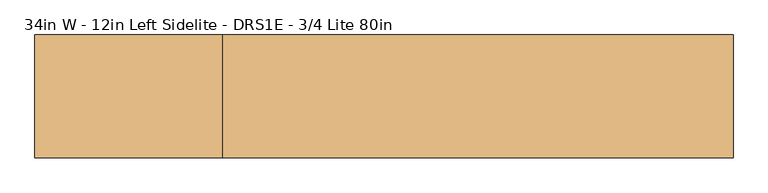
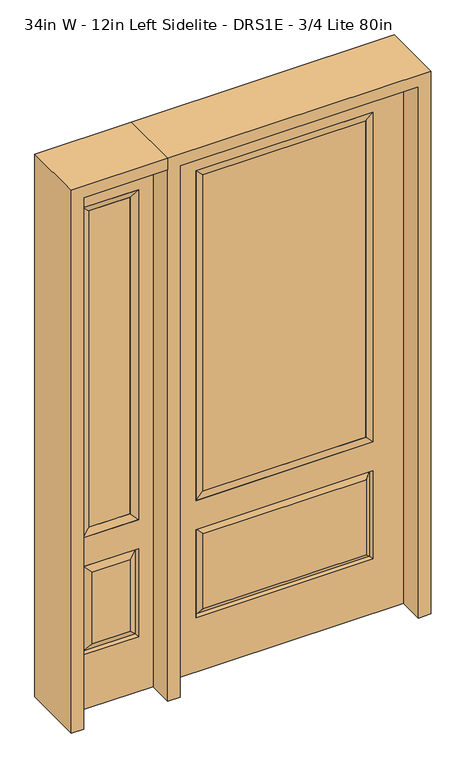
"""IFC4 building model written with IfcOpenShell, lengths in millimetres: door geometry, 34in W - 12in Left Sidelite - DRS1E - 3/4 Lite 80in."""

import ifcopenshell
import ifcopenshell.guid

model = None  # the IFC model being written
_history = None  # IfcOwnerHistory: only IFC2X3 demands one
_inside = {}  # id of a spatial element -> (the spatial element, [elements in it])
_under = {}  # id of a project, library or spatial element -> (it, [spatial elements below it])
_declared = {}  # id of a project -> (the project, [libraries it declares])
_typed = {}  # id of a type object -> (the type object, [elements of that type])
_made_of = {}  # id of a material, layer set ... -> (it, [elements and type objects made of it])


def new_model(schema):
    """Start an empty IFC model of exactly this schema.

    Asked for "IFC4X3", IfcOpenShell would pick the latest addendum, in which some entities
    have other attributes; the version numbers below select the first issue.
    IFC2X3 requires an IfcOwnerHistory on every rooted entity: one is made here for all.
    """
    global model, _history
    if schema == "IFC4X3":
        model = ifcopenshell.file(schema_version=(4, 3, 0, 0))
    else:
        model = ifcopenshell.file(schema=schema)
    _inside.clear()
    _under.clear()
    _declared.clear()
    _typed.clear()
    _made_of.clear()
    _history = None
    if model.schema == "IFC2X3":
        org = make("IfcOrganization", Name="unknown")
        user = make(
            "IfcPersonAndOrganization",
            ThePerson=make("IfcPerson", FamilyName="unknown"),
            TheOrganization=org,
        )
        app = make(
            "IfcApplication",
            ApplicationDeveloper=org,
            Version="unknown",
            ApplicationFullName="unknown",
            ApplicationIdentifier="unknown",
        )
        _history = make(
            "IfcOwnerHistory",
            OwningUser=user,
            OwningApplication=app,
            ChangeAction="ADDED",
            CreationDate=0,
        )
    return model


def make(cls, **values):
    """One entity of the class cls with the attributes given. An attribute that is None is left unset."""
    return model.create_entity(
        cls, **{name: value for name, value in values.items() if value is not None}
    )


def rooted(cls, **values):
    """An entity with a GlobalId (a new one), such as an element, a storey or a relation."""
    return make(cls, GlobalId=ifcopenshell.guid.new(), OwnerHistory=_history, **values)


def si_unit(unit_type, name, prefix=None):
    """IfcSIUnit, for example si_unit("LENGTHUNIT", "METRE", prefix="MILLI")."""
    return make("IfcSIUnit", UnitType=unit_type, Prefix=prefix, Name=name)


def assignment(units):
    """IfcUnitAssignment: the units of a project."""
    return None if units is None else make("IfcUnitAssignment", Units=units)


def point(xyz):
    """IfcCartesianPoint."""
    return None if xyz is None else make("IfcCartesianPoint", Coordinates=xyz)


def direction(xyz):
    """IfcDirection."""
    return None if xyz is None else make("IfcDirection", DirectionRatios=xyz)


def frame(location, z_axis=None, x_axis=None):
    """IfcAxis2Placement3D, a coordinate frame: its origin and axes. An axis left out is left unset."""
    return make(
        "IfcAxis2Placement3D",
        Location=point(location),
        Axis=direction(z_axis),
        RefDirection=direction(x_axis),
    )


def origin():
    """The frame at (0, 0, 0) with its axes left unset."""
    return frame((0.0, 0.0, 0.0))


def place(relative_to, where):
    """IfcLocalPlacement: puts the frame where relative to a parent placement (None: the world)."""
    return make(
        "IfcLocalPlacement", PlacementRelTo=relative_to, RelativePlacement=where
    )


def context(
    kind, dimensions, precision=None, world=None, true_north=None, identifier=None
):
    """IfcGeometricRepresentationContext, for example the 3D "Model" context."""
    return make(
        "IfcGeometricRepresentationContext",
        ContextIdentifier=identifier,
        ContextType=kind,
        CoordinateSpaceDimension=dimensions,
        Precision=precision,
        WorldCoordinateSystem=world,
        TrueNorth=true_north,
    )


def project(units=None, contexts=None):
    """IfcProject with its units and contexts."""
    return rooted(
        "IfcProject",
        Name="project",
        RepresentationContexts=contexts,
        UnitsInContext=assignment(units),
    )


def spatial(cls, under=None, at=None, **own):
    """A site, building, storey or space (cls), placed at a placement, below another one or the project."""
    s = rooted(cls, ObjectPlacement=at, **own)
    if under is not None:
        _under.setdefault(under.id(), (under, []))[1].append(s)
    return s


def polyline(points):
    """IfcPolyline through the points."""
    return make("IfcPolyline", Points=[point(p) for p in points])


def outline(outer, holes=None, kind="AREA"):
    """IfcArbitraryClosedProfileDef: a profile drawn as a closed curve; with holes, ...WithVoids."""
    if holes is None:
        return make("IfcArbitraryClosedProfileDef", ProfileType=kind, OuterCurve=outer)
    return make(
        "IfcArbitraryProfileDefWithVoids",
        ProfileType=kind,
        OuterCurve=outer,
        InnerCurves=holes,
    )


def extrude(swept, where, along, depth):
    """IfcExtrudedAreaSolid: the profile swept, set in the frame where, extruded along a direction by depth."""
    return make(
        "IfcExtrudedAreaSolid",
        SweptArea=swept,
        Position=where,
        ExtrudedDirection=direction(along),
        Depth=depth,
    )


def faces_of(points, faces, orient=None, outer=None):
    """IfcFace entities. A face is a list of loops; a loop is a list of indices into points, from 0.

    orient and outer hold one flag for each loop. By default every Orientation is true, the
    first loop of a face is its IfcFaceOuterBound and the others are IfcFaceBound.
    """
    made = []
    for i, loops in enumerate(faces):
        bounds = []
        for j, loop in enumerate(loops):
            is_outer = j == 0 if outer is None else outer[i][j]
            bounds.append(
                make(
                    "IfcFaceOuterBound" if is_outer else "IfcFaceBound",
                    Bound=make("IfcPolyLoop", Polygon=[points[k] for k in loop]),
                    Orientation=True if orient is None else orient[i][j],
                )
            )
        made.append(make("IfcFace", Bounds=bounds))
    return made


def faceted_brep(points, faces, orient=None, outer=None, voids=None):
    """IfcFacetedBrep: a solid bounded by flat faces; with voids (closed shells), ...WithVoids."""
    shared = [point(p) for p in points]
    hull = make("IfcClosedShell", CfsFaces=faces_of(shared, faces, orient, outer))
    if voids is None:
        return make("IfcFacetedBrep", Outer=hull)
    return make(
        "IfcFacetedBrepWithVoids",
        Outer=hull,
        Voids=[
            make(cls, CfsFaces=faces_of(shared, fs, o, b)) for cls, fs, o, b in voids
        ],
    )


def shape(context_of_items, identifier, shape_type, items):
    """IfcShapeRepresentation: the items that make up one representation, for example the "Body"."""
    return make(
        "IfcShapeRepresentation",
        ContextOfItems=context_of_items,
        RepresentationIdentifier=identifier,
        RepresentationType=shape_type,
        Items=items,
    )


def source(mapping_origin, context_of_items, identifier, shape_type, items):
    """IfcRepresentationMap: a shape defined once, which mapped items show again and again."""
    return make(
        "IfcRepresentationMap",
        MappingOrigin=mapping_origin,
        MappedRepresentation=shape(context_of_items, identifier, shape_type, items),
    )


def transform(
    local_origin,
    x_axis=None,
    y_axis=None,
    z_axis=None,
    scale=None,
    scale2=None,
    scale3=None,
    uniform=True,
):
    """IfcCartesianTransformationOperator3D, or its non-uniform kind. x_axis, y_axis, z_axis: its Axis1, 2, 3."""
    if uniform:
        return make(
            "IfcCartesianTransformationOperator3D",
            Axis1=direction(x_axis),
            Axis2=direction(y_axis),
            LocalOrigin=point(local_origin),
            Scale=scale,
            Axis3=direction(z_axis),
        )
    return make(
        "IfcCartesianTransformationOperator3DnonUniform",
        Axis1=direction(x_axis),
        Axis2=direction(y_axis),
        LocalOrigin=point(local_origin),
        Scale=scale,
        Axis3=direction(z_axis),
        Scale2=scale2,
        Scale3=scale3,
    )


def mapped(mapping_source, mapping_target):
    """IfcMappedItem: shows the shape of a source again, moved by a transform."""
    return make(
        "IfcMappedItem", MappingSource=mapping_source, MappingTarget=mapping_target
    )


def made_of(thing, what):
    """Note that an element or type object is made of a material, layer set ...; save() writes the relation."""
    if what is not None:
        _made_of.setdefault(what.id(), (what, []))[1].append(thing)
    return thing


def element(
    cls,
    number,
    at=None,
    inside=None,
    cuts=None,
    type_object=None,
    material=None,
    context=None,
    identifier="Body",
    shape_type=None,
    held_by="IfcProductDefinitionShape",
    body=None,
    shapes=None,
    **own,
):
    """One element of the class cls, such as IfcWall. Its Tag is "e" and its number.

    at: its placement. inside: the storey or other place that contains it. cuts: it is an
    opening in that element (IfcRelVoidsElement). A single representation is given by context,
    identifier, shape_type and body (its items); several are given by shapes. held_by: the class
    of the entity that holds the representations. save() writes the other relations.
    """
    e = rooted(cls, Tag="e%d" % number, ObjectPlacement=at, **own)
    if body is not None:
        shapes = [shape(context, identifier, shape_type, body)]
    if shapes is not None:
        e.Representation = make(held_by, Representations=shapes)
    if inside is not None:
        _inside.setdefault(inside.id(), (inside, []))[1].append(e)
    if cuts is not None:
        rooted(
            "IfcRelVoidsElement", RelatingBuildingElement=cuts, RelatedOpeningElement=e
        )
    if type_object is not None:
        _typed.setdefault(type_object.id(), (type_object, []))[1].append(e)
    return made_of(e, material)


def aggregate(whole, parts):
    """IfcRelAggregates: a whole, such as a stair, and the parts it consists of."""
    return rooted("IfcRelAggregates", RelatingObject=whole, RelatedObjects=parts)


def save(model, path):
    """Write the relations noted so far, then the file.

    IfcRelAggregates (storeys below a building ...), IfcRelContainedInSpatialStructure (elements
    in a storey), IfcRelDefinesByType, IfcRelAssociatesMaterial and IfcRelDeclares: one each for
    every whole, place, type object, material and project.
    """
    for whole, parts in _under.values():
        aggregate(whole, parts)
    for where, things in _inside.values():
        rooted(
            "IfcRelContainedInSpatialStructure",
            RelatedElements=things,
            RelatingStructure=where,
        )
    for kind, things in _typed.values():
        rooted("IfcRelDefinesByType", RelatedObjects=things, RelatingType=kind)
    for what, things in _made_of.values():
        rooted("IfcRelAssociatesMaterial", RelatedObjects=things, RelatingMaterial=what)
    for by, libraries in _declared.values():
        rooted("IfcRelDeclares", RelatingContext=by, RelatedDefinitions=libraries)
    model.write(path)


def door_34in_w_12in_left_sidelite_drs1e_3_4_lite_80in_8fad51a0(model_context):
    return source(origin(), model_context, "Body", "SolidModel", [
        faceted_brep([(-781.05, -22.225, 0.0), (-476.25, -22.225, 0.0), (-476.25, -22.225, 2032.0), (-781.05, -22.225, 2032.0), (-528.32, -22.225, 1919.224), (-528.32, -22.225, 657.098), (-728.98, -22.225, 657.098), (-728.98, -22.225, 1919.224), (-528.32, -22.225, 209.55), (-728.98, -22.225, 209.55), (-728.98, -22.225, 546.1), (-528.32, -22.225, 546.1), (-697.2648999, -22.225, 241.2651001), (-560.0351001, -22.225, 241.2651001), (-560.0351001, -22.225, 514.3848999), (-697.2648999, -22.225, 514.3848999), (-781.05, 22.225, 0.0), (-781.05, 22.225, 2032.0), (-476.25, 22.225, 2032.0), (-476.25, 22.225, 0.0), (-528.32, 22.225, 1919.224), (-728.98, 22.225, 1919.224), (-728.98, 22.225, 657.098), (-528.32, 22.225, 657.098), (-728.98, 22.225, 209.55), (-528.32, 22.225, 209.55), (-528.32, 22.225, 546.1), (-728.98, 22.225, 546.1), (-560.0351001, 22.225, 241.2651001), (-697.2648999, 22.225, 241.2651001), (-697.2648999, 22.225, 514.3848999), (-560.0351001, 22.225, 514.3848999), (-535.4288501, 12.7912373, 216.6588501), (-721.8711499, 12.7912373, 216.6588501), (-721.8711499, 12.7912373, 538.9911499), (-535.4288501, 12.7912373, 538.9911499), (-721.8711499, -12.7912373, 216.6588501), (-535.4288501, -12.7912373, 216.6588501), (-721.8711499, -12.7912373, 538.9911499), (-535.4288501, -12.7912373, 538.9911499)], [[[0, 1, 2, 3], [4, 5, 6, 7], [8, 9, 10, 11]], [[12, 13, 14, 15]], [[16, 17, 18, 19], [20, 21, 22, 23], [24, 25, 26, 27]], [[28, 29, 30, 31]], [[1, 0, 16, 19]], [[2, 1, 19, 18]], [[3, 2, 18, 17]], [[0, 3, 17, 16]], [[5, 4, 20, 23]], [[6, 5, 23, 22]], [[7, 6, 22, 21]], [[4, 7, 21, 20]], [[32, 33, 29, 28]], [[33, 32, 25, 24]], [[29, 33, 34, 30]], [[33, 24, 27, 34]], [[30, 34, 35, 31]], [[34, 27, 26, 35]], [[32, 28, 31, 35]], [[25, 32, 35, 26]], [[12, 36, 37, 13]], [[37, 36, 9, 8]], [[36, 12, 15, 38]], [[9, 36, 38, 10]], [[38, 15, 14, 39]], [[10, 38, 39, 11]], [[13, 37, 39, 14]], [[37, 8, 11, 39]]]),
        faceted_brep([(-728.98, 22.225, 1919.224), (-728.98, -22.225, 1919.224), (-528.32, -22.225, 1919.224), (-528.32, 22.225, 1919.224), (-703.58, 12.7, 1893.824), (-553.72, 12.7, 1893.824), (-703.58, -12.7, 1893.824), (-553.72, -12.7, 1893.824), (-528.32, -22.225, 657.098), (-528.32, 22.225, 657.098), (-553.72, 12.7, 682.498), (-553.72, -12.7, 682.498), (-728.98, -22.225, 657.098), (-728.98, 22.225, 657.098), (-703.58, 12.7, 682.498), (-703.58, -12.7, 682.498)], [[[0, 1, 2, 3]], [[4, 0, 3, 5]], [[6, 4, 5, 7]], [[1, 6, 7, 2]], [[3, 2, 8, 9]], [[5, 3, 9, 10]], [[7, 5, 10, 11]], [[2, 7, 11, 8]], [[9, 8, 12, 13]], [[10, 9, 13, 14]], [[11, 10, 14, 15]], [[8, 11, 15, 12]], [[13, 12, 1, 0]], [[14, 13, 0, 4]], [[15, 14, 4, 6]], [[12, 15, 6, 1]]]),
        extrude(outline(polyline([(-553.72, -12.7), (-703.58, -12.7), (-703.58, 12.7), (-553.72, 12.7), (-553.72, -12.7)])), frame((0.0, 0.0, 682.498), z_axis=(0.0, 0.0, 1.0), x_axis=(1.0, 0.0, 0.0)), (0.0, 0.0, 1.0), 1211.326),
        faceted_brep([(-313.5661499, -12.7912373, 216.6588501), (313.5661499, -12.7912373, 216.6588501), (296.06875, -22.225, 234.15625), (-296.06875, -22.225, 234.15625), (-320.675, -22.225, 209.55), (320.675, -22.225, 209.55), (-313.5661499, -12.7912373, 538.9911499), (-320.675, -22.225, 546.1), (296.06875, -22.225, 521.49375), (-296.06875, -22.225, 521.49375), (431.8, -22.225, 2032.0), (-431.8, -22.225, 2032.0), (-431.8, -22.225, 0.0), (431.8, -22.225, 0.0), (320.675, -22.225, 546.1), (320.675, -22.225, 1917.7), (320.675, -22.225, 657.098), (-320.675, -22.225, 657.098), (-320.675, -22.225, 1917.7), (313.5661499, -12.7912373, 538.9911499), (-431.8, 22.225, 2032.0), (-431.8, 22.225, 0.0), (431.8, 22.225, 0.0), (431.8, 22.225, 2032.0), (320.675, 22.225, 1917.7), (320.675, 22.225, 657.098), (-320.675, 22.225, 657.098), (-320.675, 22.225, 1917.7), (-320.675, 22.225, 209.55), (320.675, 22.225, 209.55), (320.675, 22.225, 546.1), (-320.675, 22.225, 546.1), (296.06875, 22.225, 234.15625), (-296.06875, 22.225, 234.15625), (-296.06875, 22.225, 521.49375), (296.06875, 22.225, 521.49375), (-313.5661499, 12.7912373, 216.6588501), (313.5661499, 12.7912373, 216.6588501), (313.5661499, 12.7912373, 538.9911499), (-313.5661499, 12.7912373, 538.9911499)], [[[0, 1, 2, 3]], [[1, 0, 4, 5]], [[4, 0, 6, 7]], [[3, 2, 8, 9]], [[10, 11, 12, 13], [5, 4, 7, 14], [15, 16, 17, 18]], [[1, 5, 14, 19]], [[2, 1, 19, 8]], [[0, 3, 9, 6]], [[7, 6, 19, 14]], [[6, 9, 8, 19]], [[12, 11, 20, 21]], [[13, 12, 21, 22]], [[10, 13, 22, 23]], [[16, 15, 24, 25]], [[17, 16, 25, 26]], [[18, 17, 26, 27]], [[23, 22, 21, 20], [28, 29, 30, 31], [24, 27, 26, 25]], [[32, 33, 34, 35]], [[28, 36, 37, 29]], [[29, 37, 38, 30]], [[39, 31, 30, 38]], [[36, 28, 31, 39]], [[37, 36, 33, 32]], [[33, 36, 39, 34]], [[34, 39, 38, 35]], [[37, 32, 35, 38]], [[11, 10, 23, 20]], [[15, 18, 27, 24]]]),
        faceted_brep([(-320.675, -22.225, 1917.7), (-320.675, 22.225, 1917.7), (-320.675, 22.225, 657.098), (-320.675, -22.225, 657.098), (320.675, 22.225, 657.098), (320.675, -22.225, 657.098), (-295.275, 5.08, 682.498), (295.275, 5.08, 682.498), (320.675, 22.225, 1917.7), (320.675, -22.225, 1917.7), (-295.275, -20.32, 682.498), (295.275, -20.32, 682.498), (-295.275, -20.32, 1892.3), (295.275, -20.32, 1892.3), (-295.275, 5.08, 1892.3), (295.275, 5.08, 1892.3)], [[[0, 1, 2, 3]], [[3, 2, 4, 5]], [[2, 6, 7, 4]], [[5, 4, 8, 9]], [[10, 3, 5, 11]], [[12, 0, 3, 10]], [[11, 5, 9, 13]], [[6, 10, 11, 7]], [[14, 12, 10, 6]], [[7, 11, 13, 15]], [[1, 14, 6, 2]], [[4, 7, 15, 8]], [[9, 8, 1, 0]], [[13, 9, 0, 12]], [[15, 13, 12, 14]], [[8, 15, 14, 1]]]),
        extrude(outline(polyline([(295.275, -20.32), (-295.275, -20.32), (-295.275, 5.08), (295.275, 5.08), (295.275, -20.32)])), frame((0.0, 0.0, 682.498), z_axis=(0.0, 0.0, 1.0), x_axis=(1.0, 0.0, 0.0)), (0.0, 0.0, 1.0), 1209.802),
        extrude(outline(polyline([(2032.0, -476.25), (2076.45, -476.25), (2076.45, -825.5), (0.0, -825.5), (0.0, -781.05), (2032.0, -781.05), (2032.0, -476.25)])), frame((0.0, -114.3, 0.0), z_axis=(0.0, 1.0, 0.0), x_axis=(0.0, 0.0, 1.0)), (0.0, 0.0, 1.0), 228.6),
        extrude(outline(polyline([(2076.45, -476.25), (0.0, -476.25), (0.0, -431.8), (2032.0, -431.8), (2032.0, 431.8), (0.0, 431.8), (0.0, 476.25), (2076.45, 476.25), (2076.45, -476.25)])), frame((0.0, -114.3, 0.0), z_axis=(0.0, 1.0, 0.0), x_axis=(0.0, 0.0, 1.0)), (0.0, 0.0, 1.0), 228.6),
    ])


if __name__ == "__main__":
    model = new_model("IFC4")
    model_context = context("Model", 3, world=origin())
    ifc_project = project(units=[si_unit("LENGTHUNIT", "METRE", prefix="MILLI")], contexts=[model_context])
    site = spatial("IfcSite", under=ifc_project)
    building = spatial("IfcBuilding", under=site)
    placement = place(None, origin())
    door_34in_w_12in_left_sidelite_drs1e_3_4_lite_80in_shape = door_34in_w_12in_left_sidelite_drs1e_3_4_lite_80in_8fad51a0(model_context)
    element("IfcDoor", 1, ObjectType="34in W - 12in Left Sidelite - DRS1E - 3/4 Lite 80in", at=placement, inside=building, context=model_context, shape_type="MappedRepresentation", body=[
        mapped(door_34in_w_12in_left_sidelite_drs1e_3_4_lite_80in_shape, transform((0.0, 0.0, 0.0), x_axis=(1.0, 0.0, 0.0), y_axis=(0.0, 1.0, 0.0), z_axis=(0.0, 0.0, 1.0))),
    ])
    save(model, "model.ifc")
